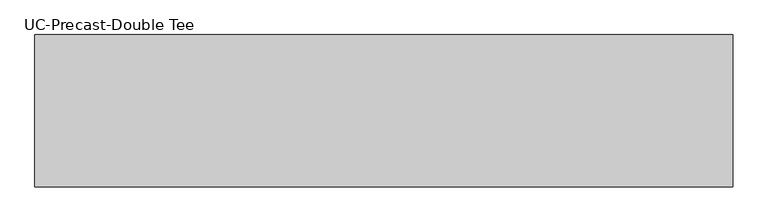
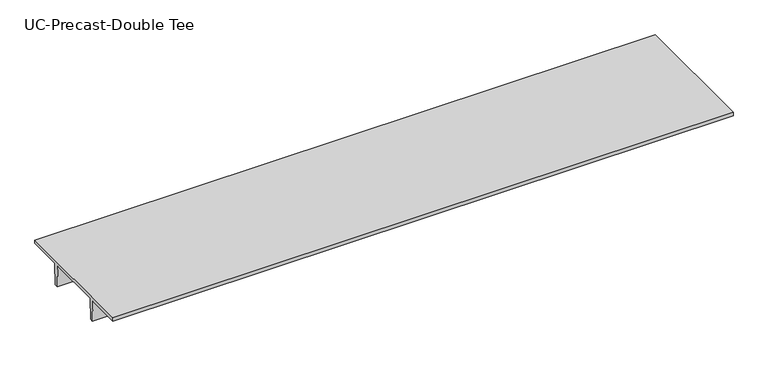
"""IFC4 building model written with IfcOpenShell, lengths in millimetres: beam geometry, UC-Precast-Double Tee."""

from ifc_helpers import new_model, si_unit, frame, origin, place, context, project, spatial, polyline, outline, extrude, source, transform, mapped, element, save


def uc_precast_double_tee_49ce1293(model_context):
    return source(origin(), model_context, "Body", "SweptSolid", [
        extrude(outline(polyline([(2032.0, 381.0), (2032.0, 279.4), (990.6, 279.4), (965.2, -381.0), (863.6, -381.0), (838.2, 279.4), (-838.2, 279.4), (-863.6, -381.0), (-965.2, -381.0), (-990.6, 279.4), (-2032.0, 279.4), (-2032.0, 381.0), (2032.0, 381.0)])), frame((-9347.1769994, 0.0, 0.0), z_axis=(1.0, 0.0, 0.0), x_axis=(0.0, 1.0, 0.0)), (0.0, 0.0, 1.0), 18643.5769994),
    ])


if __name__ == "__main__":
    model = new_model("IFC4")
    model_context = context("Model", 3, world=origin())
    ifc_project = project(units=[si_unit("LENGTHUNIT", "METRE", prefix="MILLI")], contexts=[model_context])
    site = spatial("IfcSite", under=ifc_project)
    building = spatial("IfcBuilding", under=site)
    placement = place(None, origin())
    uc_precast_double_tee_shape = uc_precast_double_tee_49ce1293(model_context)
    element("IfcBeam", 1, ObjectType="UC-Precast-Double Tee", at=placement, inside=building, context=model_context, shape_type="MappedRepresentation", body=[
        mapped(uc_precast_double_tee_shape, transform((0.0, 0.0, 0.0), x_axis=(1.0, 0.0, 0.0), y_axis=(0.0, 1.0, 0.0), z_axis=(0.0, 0.0, 1.0))),
    ])
    save(model, "model.ifc")
